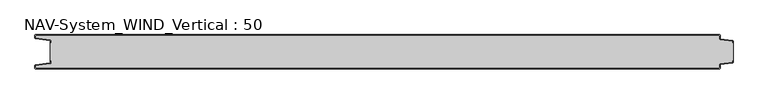
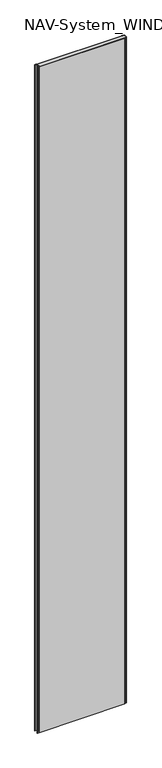
"""IFC4 building model written with IfcOpenShell, lengths in millimetres: plate geometry, NAV-System_WIND_Vertical : 50."""

from ifc_helpers import new_model, si_unit, point, frame_2d, origin, origin_with_axes, place, context, project, spatial, polyline, circle_curve, trimmed, segment, composite_curve, outline, extrude, source, transform, mapped, element, save


def nav_system_wind_vertical_50_25c193ed(model_context):
    return source(origin(), model_context, "Body", "SweptSolid", [
        extrude(outline(composite_curve([segment(polyline([(519.0, -38.2932637), (519.0, -40.1932637)]), True, "CONTINUOUS"), segment(trimmed(circle_curve(frame_2d((517.7, -40.1932637)), 1.3), [point((519.0, -40.1932637))], [point((517.8810287, -41.4805976))], False, "CARTESIAN"), True, "CONTINUOUS"), segment(polyline([(517.8810287, -41.4805976), (500.602523, -43.9103519)]), True, "CONTINUOUS"), segment(trimmed(circle_curve(frame_2d((500.7, -44.6035317)), 0.7), [point((500.602523, -43.9103519))], [point((500.0, -44.6035317))], True, "CARTESIAN"), True, "CONTINUOUS"), segment(polyline([(500.0, -44.6035317), (500.0, -48.7)]), True, "CONTINUOUS"), segment(trimmed(circle_curve(frame_2d((498.7, -48.7)), 1.3), [point((500.0, -48.7))], [point((498.7, -50.0))], False, "CARTESIAN"), True, "CONTINUOUS"), segment(polyline([(498.7, -50.0), (-498.7, -50.0)]), True, "CONTINUOUS"), segment(trimmed(circle_curve(frame_2d((-498.7, -48.7)), 1.3), [point((-498.7, -50.0))], [point((-500.0, -48.7))], False, "CARTESIAN"), True, "CONTINUOUS"), segment(polyline([(-500.0, -48.7), (-500.0, -45.6299809)]), True, "CONTINUOUS"), segment(trimmed(circle_curve(frame_2d((-498.7, -45.6299809)), 1.3), [point((-500.0, -45.6299809))], [point((-498.8810287, -44.342647))], False, "CARTESIAN"), True, "CONTINUOUS"), segment(polyline([(-498.8810287, -44.342647), (-478.102523, -41.4207123)]), True, "CONTINUOUS"), segment(trimmed(circle_curve(frame_2d((-478.2, -40.7275325)), 0.7), [point((-478.102523, -41.4207123))], [point((-477.5, -40.7275325))], True, "CARTESIAN"), True, "CONTINUOUS"), segment(polyline([(-477.5, -40.7275325), (-477.5, -38.3275325), (-476.7, -38.3275325), (-476.7, -40.7275325)]), True, "CONTINUOUS"), segment(trimmed(circle_curve(frame_2d((-478.2, -40.7275325)), 1.5), [point((-476.7, -40.7275325))], [point((-477.9911207, -42.2129178))], False, "CARTESIAN"), True, "CONTINUOUS"), segment(polyline([(-477.9911207, -42.2129178), (-499.2, -45.1953728), (-499.2, -48.7)]), True, "CONTINUOUS"), segment(trimmed(circle_curve(frame_2d((-498.7, -48.7)), 0.5), [point((-499.2, -48.7))], [point((-498.7, -49.2))], True, "CARTESIAN"), True, "CONTINUOUS"), segment(polyline([(-498.7, -49.2), (498.7, -49.2)]), True, "CONTINUOUS"), segment(trimmed(circle_curve(frame_2d((498.7, -48.7)), 0.5), [point((498.7, -49.2))], [point((499.2, -48.7))], True, "CARTESIAN"), True, "CONTINUOUS"), segment(polyline([(499.2, -48.7), (499.2, -44.6035317)]), True, "CONTINUOUS"), segment(trimmed(circle_curve(frame_2d((500.7, -44.6035317)), 1.5), [point((499.2, -44.6035317))], [point((500.4911207, -43.1181464))], False, "CARTESIAN"), True, "CONTINUOUS"), segment(polyline([(500.4911207, -43.1181464), (518.2, -40.6278717), (518.2, -38.2932637), (519.0, -38.2932637)]), True, "CONTINUOUS")], self_intersect=False)), origin_with_axes(), (0.0, 0.0, 1.0), 8000.0),
        extrude(outline(composite_curve([segment(polyline([(519.0, -11.7067363), (518.2, -11.7067363), (518.2, -9.3721283), (500.4911207, -6.8818536)]), True, "CONTINUOUS"), segment(trimmed(circle_curve(frame_2d((500.7, -5.3964683)), 1.5), [point((500.4911207, -6.8818536))], [point((499.2, -5.3964683))], False, "CARTESIAN"), True, "CONTINUOUS"), segment(polyline([(499.2, -5.3964683), (499.2, -1.3)]), True, "CONTINUOUS"), segment(trimmed(circle_curve(frame_2d((498.7, -1.3)), 0.5), [point((499.2, -1.3))], [point((498.7, -0.8))], True, "CARTESIAN"), True, "CONTINUOUS"), segment(polyline([(498.7, -0.8), (-498.7, -0.8)]), True, "CONTINUOUS"), segment(trimmed(circle_curve(frame_2d((-498.7, -1.3)), 0.5), [point((-498.7, -0.8))], [point((-499.2, -1.3))], True, "CARTESIAN"), True, "CONTINUOUS"), segment(polyline([(-499.2, -1.3), (-499.2, -4.8046272), (-477.9911207, -7.7870822)]), True, "CONTINUOUS"), segment(trimmed(circle_curve(frame_2d((-478.2, -9.2724675)), 1.5), [point((-477.9911207, -7.7870822))], [point((-476.7, -9.2724675))], False, "CARTESIAN"), True, "CONTINUOUS"), segment(polyline([(-476.7, -9.2724675), (-476.7, -11.6724675), (-477.5, -11.6724675), (-477.5, -9.2724675)]), True, "CONTINUOUS"), segment(trimmed(circle_curve(frame_2d((-478.2, -9.2724675)), 0.7), [point((-477.5, -9.2724675))], [point((-478.102523, -8.5792877))], True, "CARTESIAN"), True, "CONTINUOUS"), segment(polyline([(-478.102523, -8.5792877), (-498.8810287, -5.657353)]), True, "CONTINUOUS"), segment(trimmed(circle_curve(frame_2d((-498.7, -4.3700191)), 1.3), [point((-498.8810287, -5.657353))], [point((-500.0, -4.3700191))], False, "CARTESIAN"), True, "CONTINUOUS"), segment(polyline([(-500.0, -4.3700191), (-500.0, -1.3)]), True, "CONTINUOUS"), segment(trimmed(circle_curve(frame_2d((-498.7, -1.3)), 1.3), [point((-500.0, -1.3))], [point((-498.7, 0.0))], False, "CARTESIAN"), True, "CONTINUOUS"), segment(polyline([(-498.7, 0.0), (498.7, 0.0)]), True, "CONTINUOUS"), segment(trimmed(circle_curve(frame_2d((498.7, -1.3)), 1.3), [point((498.7, 0.0))], [point((500.0, -1.3))], False, "CARTESIAN"), True, "CONTINUOUS"), segment(polyline([(500.0, -1.3), (500.0, -5.3964683)]), True, "CONTINUOUS"), segment(trimmed(circle_curve(frame_2d((500.7, -5.3964683)), 0.7), [point((500.0, -5.3964683))], [point((500.602523, -6.0896481))], True, "CARTESIAN"), True, "CONTINUOUS"), segment(polyline([(500.602523, -6.0896481), (517.8810287, -8.5194024)]), True, "CONTINUOUS"), segment(trimmed(circle_curve(frame_2d((517.7, -9.8067363)), 1.3), [point((517.8810287, -8.5194024))], [point((519.0, -9.8067363))], False, "CARTESIAN"), True, "CONTINUOUS"), segment(polyline([(519.0, -9.8067363), (519.0, -11.7067363)]), True, "CONTINUOUS")], self_intersect=False)), origin_with_axes(), (0.0, 0.0, 1.0), 8000.0),
        extrude(outline(composite_curve([segment(polyline([(500.4911207, -6.8818536), (518.2, -9.3721283), (518.2, -11.6767555), (519.0, -11.6767555), (519.0, -38.2767555), (518.2, -38.2767555), (518.2, -40.6278717), (500.4911207, -43.1181464)]), True, "CONTINUOUS"), segment(trimmed(circle_curve(frame_2d((500.7, -44.6035317)), 1.5), [point((500.4911207, -43.1181464))], [point((499.2, -44.6035317))], True, "CARTESIAN"), True, "CONTINUOUS"), segment(polyline([(499.2, -44.6035317), (499.2, -48.7)]), True, "CONTINUOUS"), segment(trimmed(circle_curve(frame_2d((498.7, -48.7)), 0.5), [point((499.2, -48.7))], [point((498.7, -49.2))], False, "CARTESIAN"), True, "CONTINUOUS"), segment(polyline([(498.7, -49.2), (-498.7, -49.2)]), True, "CONTINUOUS"), segment(trimmed(circle_curve(frame_2d((-498.7, -48.7)), 0.5), [point((-498.7, -49.2))], [point((-499.2, -48.7))], False, "CARTESIAN"), True, "CONTINUOUS"), segment(polyline([(-499.2, -48.7), (-499.2, -45.1953728), (-477.9911207, -42.2129178)]), True, "CONTINUOUS"), segment(trimmed(circle_curve(frame_2d((-478.2, -40.7275325)), 1.5), [point((-477.9911207, -42.2129178))], [point((-476.7, -40.7275325))], True, "CARTESIAN"), True, "CONTINUOUS"), segment(polyline([(-476.7, -40.7275325), (-476.7, -38.2767555), (-477.5, -38.2767555), (-477.5, -11.6767555), (-476.7, -11.6767555), (-476.7, -9.2724675)]), True, "CONTINUOUS"), segment(trimmed(circle_curve(frame_2d((-478.2, -9.2724675)), 1.5), [point((-476.7, -9.2724675))], [point((-477.9911207, -7.7870822))], True, "CARTESIAN"), True, "CONTINUOUS"), segment(polyline([(-477.9911207, -7.7870822), (-499.2, -4.8046272), (-499.2, -1.3)]), True, "CONTINUOUS"), segment(trimmed(circle_curve(frame_2d((-498.7, -1.3)), 0.5), [point((-499.2, -1.3))], [point((-498.7, -0.8))], False, "CARTESIAN"), True, "CONTINUOUS"), segment(polyline([(-498.7, -0.8), (498.7, -0.8)]), True, "CONTINUOUS"), segment(trimmed(circle_curve(frame_2d((498.7, -1.3)), 0.5), [point((498.7, -0.8))], [point((499.2, -1.3))], False, "CARTESIAN"), True, "CONTINUOUS"), segment(polyline([(499.2, -1.3), (499.2, -5.3964683)]), True, "CONTINUOUS"), segment(trimmed(circle_curve(frame_2d((500.7, -5.3964683)), 1.5), [point((499.2, -5.3964683))], [point((500.4911207, -6.8818536))], True, "CARTESIAN"), True, "CONTINUOUS")], self_intersect=False)), origin_with_axes(), (0.0, 0.0, 1.0), 8000.0),
    ])


if __name__ == "__main__":
    model = new_model("IFC4")
    model_context = context("Model", 3, world=origin())
    ifc_project = project(units=[si_unit("LENGTHUNIT", "METRE", prefix="MILLI")], contexts=[model_context])
    site = spatial("IfcSite", under=ifc_project)
    building = spatial("IfcBuilding", under=site)
    placement = place(None, origin())
    nav_system_wind_vertical_50_shape = nav_system_wind_vertical_50_25c193ed(model_context)
    element("IfcPlate", 1, ObjectType="NAV-System_WIND_Vertical : 50", at=placement, inside=building, context=model_context, shape_type="MappedRepresentation", body=[
        mapped(nav_system_wind_vertical_50_shape, transform((0.0, 0.0, 0.0), x_axis=(1.0, 0.0, 0.0), y_axis=(0.0, 1.0, 0.0), z_axis=(0.0, 0.0, 1.0))),
    ])
    save(model, "model.ifc")
